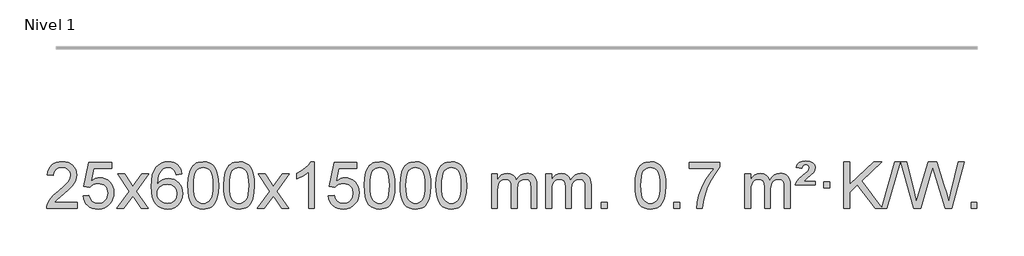
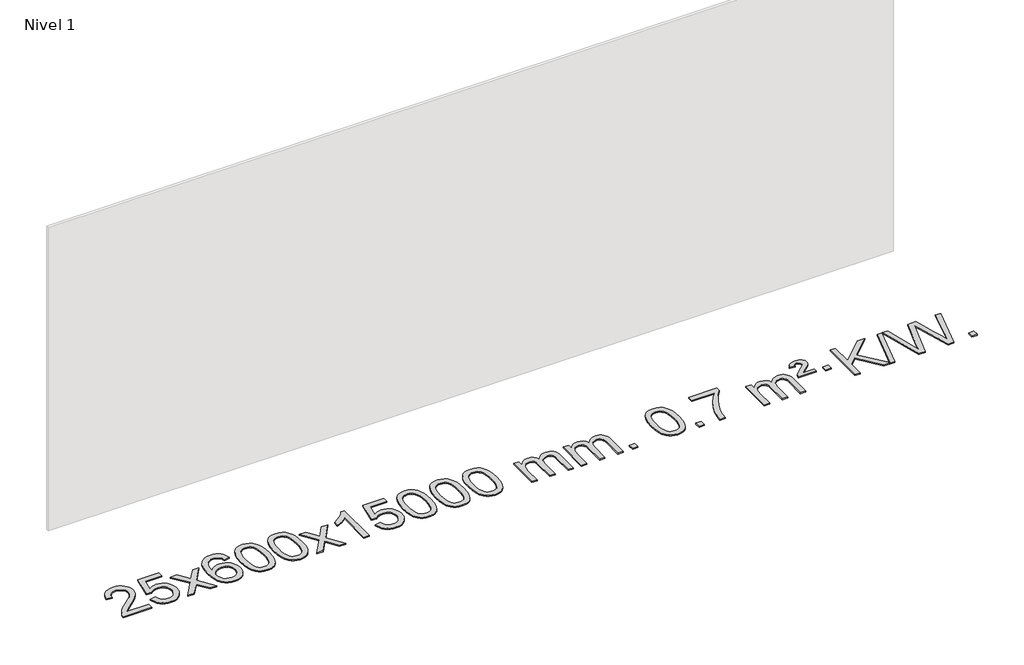
# One storey, part 9 of 10: 1 proxy.
"""IFC4 building model written with IfcOpenShell, lengths in millimetres."""

from ifc_helpers import new_model, si_unit, origin, origin_with_axes, place, context, project, spatial, polyline, outline, extrude, element, save

model = new_model("IFC4")

# Units and contexts
model_context = context("Model", 3, world=origin())
ifc_project = project(units=[si_unit("LENGTHUNIT", "METRE", prefix="MILLI")], contexts=[model_context])

# Site, building, storey
site = spatial("IfcSite", under=ifc_project)
building = spatial("IfcBuilding", under=site)
storey = spatial("IfcBuildingStorey", under=building, Name="Nivel 1", Elevation=0.0)

# Proxy
placement = place(None, origin())
element("IfcBuildingElementProxy", 1, Name="Texto de modelo 1", ObjectType="Texto de modelo 1", at=placement, inside=storey, context=model_context, shape_type="SweptSolid", body=[
    extrude(outline(polyline([(-12852.5741406, 2658.6487021), (-12852.5741406, 2608.420547), (-13116.2719548, 2608.420547), (-13115.1683088, 2626.1034082), (-13110.8763522, 2643.0505055), (-13098.4909917, 2670.1143576), (-13080.366672, 2696.3688693), (-13054.1489485, 2723.8496544), (-13017.4833763, 2754.5923264), (-12963.2820957, 2802.7358169), (-12930.7613273, 2838.2732176), (-12914.5009431, 2867.115166), (-12909.0808151, 2895.1722995), (-12914.1943748, 2920.3231653), (-12929.535054, 2941.2311253), (-12953.1162899, 2955.3210057), (-12982.9515197, 2960.0176325), (-13014.282803, 2955.4313703), (-13038.6243283, 2941.6725837), (-13054.3328895, 2919.8203932), (-13059.7652803, 2890.9539193), (-13109.9934354, 2897.2324387), (-13105.6738876, 2923.161988), (-13097.8165413, 2945.8173875), (-13086.4213965, 2965.1986373), (-13071.4884532, 2981.3057373), (-13053.3610679, 2993.9670093), (-13032.3825971, 3003.010775), (-13008.5530409, 3008.4370345), (-12981.8723992, 3010.2457876), (-12954.9526342, 3008.2346994), (-12930.9943193, 3002.2014346), (-12909.9974544, 2992.1459934), (-12891.9620396, 2978.0683758), (-12877.476686, 2961.0109139), (-12867.1300049, 2942.0159402), (-12860.9219962, 2921.0834547), (-12858.85266, 2898.2134573), (-12861.0844774, 2874.1907631), (-12867.7799298, 2850.5850017), (-12879.6625182, 2826.5745701), (-12897.455744, 2801.3378653), (-12925.8194459, 2771.2083299), (-12969.4134623, 2732.5194067), (-13027.195461, 2684.204238), (-13049.8569919, 2658.6487021), (-12852.5741406, 2658.6487021)])), origin_with_axes(), (0.0, 0.0, 1.0), 10.0),
    extrude(outline(polyline([(-12802.3459855, 2715.1553765), (-12752.1178305, 2721.4338959), (-12742.8962551, 2691.2798351), (-12726.8075492, 2669.6851619), (-12703.9252891, 2656.6989275), (-12674.3230512, 2652.3701827), (-12655.1931875, 2653.8754332), (-12638.3196666, 2658.3911847), (-12623.7024887, 2665.9174372), (-12611.3416537, 2676.4541906), (-12601.513073, 2689.480279), (-12594.4926583, 2704.4745359), (-12588.8763265, 2740.3675559), (-12594.137039, 2774.1636486), (-12600.7129297, 2788.0818507), (-12609.9191766, 2800.0134901), (-12621.7864366, 2809.5845533), (-12636.3453666, 2816.4210271), (-12673.5382363, 2821.8902061), (-12697.9042871, 2819.7074396), (-12717.6350248, 2813.1591401), (-12733.3926369, 2803.1282243), (-12745.8393111, 2790.4976092), (-12796.0674662, 2796.7761285), (-12752.1178305, 3003.9672682), (-12557.4837296, 3003.9672682), (-12557.4837296, 2953.7391131), (-12711.5036582, 2953.7391131), (-12732.9879667, 2843.080209), (-12715.2621859, 2855.7844006), (-12697.1072095, 2864.8588231), (-12678.5230373, 2870.3034766), (-12659.5096696, 2872.1183612), (-12635.0485826, 2869.8681496), (-12612.5801897, 2863.117515), (-12592.104491, 2851.8664573), (-12573.6214864, 2836.1149766), (-12558.3206611, 2816.8256973), (-12547.3915002, 2794.961244), (-12540.8340036, 2770.5216168), (-12538.6481714, 2743.5068156), (-12540.6163401, 2717.4852958), (-12546.5208461, 2693.2786606), (-12556.3616895, 2670.8869098), (-12570.1388702, 2650.3100435), (-12591.0100421, 2629.2365366), (-12615.3638301, 2614.1840316), (-12643.2002344, 2605.1525286), (-12674.519255, 2602.1420276), (-12700.4396072, 2604.0764738), (-12723.8522305, 2609.8798123), (-12744.7571249, 2619.552043), (-12763.1542903, 2633.0931662), (-12778.461247, 2649.8287312), (-12790.0955151, 2669.084288), (-12798.0570946, 2690.8598364), (-12802.3459855, 2715.1553765)])), origin_with_axes(), (0.0, 0.0, 1.0), 10.0),
    extrude(outline(polyline([(-12513.5340939, 2608.420547), (-12406.2106531, 2756.7505675), (-12507.2555745, 2903.5109581), (-12446.8248254, 2903.5109581), (-12398.0681983, 2832.877615), (-12375.3085655, 2799.5229808), (-12355.5900906, 2826.7952993), (-12300.0644348, 2903.5109581), (-12239.6336857, 2903.5109581), (-12345.7799041, 2756.7505675), (-12243.5577603, 2608.420547), (-12303.9885094, 2608.420547), (-12365.498379, 2697.5951426), (-12376.7800935, 2713.8800523), (-12453.1033448, 2608.420547), (-12513.5340939, 2608.420547)])), origin_with_axes(), (0.0, 0.0, 1.0), 10.0),
    extrude(outline(polyline([(-11954.7458687, 2903.5109581), (-12004.9740237, 2897.2324387), (-12013.0674276, 2922.125787), (-12024.0057856, 2939.1219352), (-12046.7899439, 2954.7937082), (-12074.3320426, 2960.0176325), (-12097.6802865, 2956.9764747), (-12119.6551044, 2947.8530012), (-12138.5274507, 2928.6372983), (-12153.9417063, 2902.1865829), (-12164.3527668, 2864.772984), (-12168.2155277, 2812.6686307), (-12148.0678571, 2836.1762902), (-12123.9225355, 2852.7432427), (-12097.1284635, 2862.565692), (-12069.0345418, 2865.8398418), (-12044.9014829, 2863.601893), (-12022.6323595, 2856.8880466), (-12002.2271715, 2845.6983025), (-11983.6859189, 2830.0326609), (-11968.2777947, 2810.8230894), (-11957.2719917, 2789.0015557), (-11950.6685099, 2764.5680599), (-11948.4673493, 2737.5226018), (-11952.6121531, 2701.5560055), (-11965.0465645, 2668.213634), (-11984.740514, 2639.9357713), (-12010.6639319, 2619.1627013), (-12041.6395959, 2606.397196), (-12076.4902836, 2602.1420276), (-12106.4328123, 2604.9624563), (-12133.4752046, 2613.4237421), (-12157.6174606, 2627.5258853), (-12178.8595801, 2647.2688857), (-12196.177625, 2673.4866092), (-12208.5476571, 2707.0129217), (-12215.9696764, 2747.8478232), (-12218.4436828, 2795.9913136), (-12215.6968306, 2849.9657337), (-12207.4562739, 2896.0306908), (-12193.7220127, 2934.1861851), (-12174.4940471, 2964.4322165), (-12153.6535321, 2984.4756538), (-12129.4898164, 2998.7923948), (-12102.0029, 3007.3824394), (-12071.1927829, 3010.2457876), (-12048.0591367, 3008.4738227), (-12027.1205198, 3003.1579278), (-12008.3769322, 2994.2981031), (-11991.8283738, 2981.8943485), (-11977.9224344, 2966.3635969), (-11967.1067037, 2948.1227814), (-11959.3811818, 2927.1719017), (-11954.7458687, 2903.5109581)]), holes=[polyline([(-12168.2155277, 2738.3074168), (-12165.30926, 2716.0505561), (-12156.5904567, 2694.7992395), (-12143.0523993, 2676.527767), (-12125.6883691, 2663.2104388), (-12104.7313581, 2655.0802467), (-12080.4143582, 2652.3701827), (-12047.2681904, 2657.9865145), (-12033.353054, 2665.0069292), (-12021.2098825, 2674.8355099), (-12011.359842, 2687.0737176), (-12004.3240989, 2701.3230135), (-11998.6955043, 2735.8548701), (-12004.2505225, 2769.0010379), (-12011.1942951, 2782.6218688), (-12020.9155769, 2794.274531), (-12033.0955366, 2803.6095366), (-12047.4153432, 2810.2773978), (-12082.4744974, 2815.6116867), (-12115.5716142, 2810.2773978), (-12143.248603, 2794.274531), (-12154.1716326, 2782.7751529), (-12161.9737965, 2769.6141746), (-12166.6550949, 2754.7915958), (-12168.2155277, 2738.3074168)])]), origin_with_axes(), (0.0, 0.0, 1.0), 10.0),
    extrude(outline(polyline([(-11904.5177136, 2806.0958057), (-11900.8266309, 2870.4138412), (-11889.7533828, 2921.7088541), (-11871.408334, 2960.7656593), (-11859.550271, 2975.9990395), (-11845.901849, 2988.3690716), (-11830.4170827, 2997.9401349), (-11813.0499869, 3004.7766086), (-11772.6688065, 3010.2457876), (-11741.717668, 3007.008426), (-11714.003891, 2997.2963414), (-11690.8273253, 2981.4896783), (-11673.4878206, 2959.9685816), (-11660.3912216, 2932.9169922), (-11649.9433729, 2900.5188512), (-11643.1007678, 2859.3773814), (-11640.8198994, 2806.0958057), (-11644.4741939, 2742.1456523), (-11655.4370774, 2690.9732667), (-11673.6717616, 2651.8796734), (-11685.5022334, 2636.6003078), (-11699.1414584, 2624.1658964), (-11714.6446188, 2614.5304538), (-11732.066897, 2607.6479948), (-11772.6688065, 2602.1420276), (-11800.3335326, 2604.5332606), (-11824.8589989, 2611.7069595), (-11846.2452055, 2623.6631243), (-11864.4921525, 2640.4017551), (-11882.0033355, 2670.6600492), (-11894.5113233, 2708.3618224), (-11902.016116, 2753.5070745), (-11904.5177136, 2806.0958057)]), holes=[polyline([(-11854.2895585, 2806.1939076), (-11852.8180305, 2762.5293805), (-11848.4034466, 2727.1851178), (-11841.0458067, 2700.1611196), (-11830.7451108, 2681.4573858), (-11818.2861739, 2668.7317344), (-11804.4538109, 2659.6419835), (-11789.2480218, 2654.1881329), (-11772.6688065, 2652.3701827), (-11756.0895913, 2654.1942643), (-11740.8838021, 2659.6665089), (-11727.0514391, 2668.7869167), (-11714.5925022, 2681.5554876), (-11704.2918063, 2700.2898783), (-11696.9341664, 2727.3077451), (-11692.5195825, 2762.6090882), (-11691.0480545, 2806.1939076), (-11692.4705316, 2848.7026722), (-11696.7379627, 2883.4246011), (-11703.8503479, 2910.3596945), (-11713.8076873, 2929.5079524), (-11726.0581577, 2942.8559375), (-11740.0499363, 2952.3902125), (-11755.7830229, 2958.1107775), (-11773.2574177, 2960.0176325), (-11789.7507938, 2958.3376381), (-11804.6990656, 2953.2976548), (-11818.1022329, 2944.8976825), (-11829.9602959, 2933.1377214), (-11840.6043483, 2912.291075), (-11848.2072429, 2884.1848906), (-11852.7689796, 2848.8191681), (-11854.2895585, 2806.1939076)])]), origin_with_axes(), (0.0, 0.0, 1.0), 10.0),
    extrude(outline(polyline([(-11596.8702638, 2806.0958057), (-11593.1791811, 2870.4138412), (-11582.105933, 2921.7088541), (-11563.7608842, 2960.7656593), (-11551.9028212, 2975.9990395), (-11538.2543992, 2988.3690716), (-11522.7696329, 2997.9401349), (-11505.402537, 3004.7766086), (-11465.0213567, 3010.2457876), (-11434.0702182, 3007.008426), (-11406.3564412, 2997.2963414), (-11383.1798755, 2981.4896783), (-11365.8403708, 2959.9685816), (-11352.7437718, 2932.9169922), (-11342.2959231, 2900.5188512), (-11335.453318, 2859.3773814), (-11333.1724496, 2806.0958057), (-11336.8267441, 2742.1456523), (-11347.7896275, 2690.9732667), (-11366.0243118, 2651.8796734), (-11377.8547836, 2636.6003078), (-11391.4940086, 2624.1658964), (-11406.997169, 2614.5304538), (-11424.4194471, 2607.6479948), (-11465.0213567, 2602.1420276), (-11492.6860827, 2604.5332606), (-11517.2115491, 2611.7069595), (-11538.5977557, 2623.6631243), (-11556.8447027, 2640.4017551), (-11574.3558856, 2670.6600492), (-11586.8638735, 2708.3618224), (-11594.3686662, 2753.5070745), (-11596.8702638, 2806.0958057)]), holes=[polyline([(-11546.6421087, 2806.1939076), (-11545.1705807, 2762.5293805), (-11540.7559968, 2727.1851178), (-11533.3983568, 2700.1611196), (-11523.097661, 2681.4573858), (-11510.6387241, 2668.7317344), (-11496.8063611, 2659.6419835), (-11481.6005719, 2654.1881329), (-11465.0213567, 2652.3701827), (-11448.4421414, 2654.1942643), (-11433.2363523, 2659.6665089), (-11419.4039893, 2668.7869167), (-11406.9450524, 2681.5554876), (-11396.6443565, 2700.2898783), (-11389.2867166, 2727.3077451), (-11384.8721327, 2762.6090882), (-11383.4006047, 2806.1939076), (-11384.8230817, 2848.7026722), (-11389.0905129, 2883.4246011), (-11396.2028981, 2910.3596945), (-11406.1602375, 2929.5079524), (-11418.4107079, 2942.8559375), (-11432.4024864, 2952.3902125), (-11448.1355731, 2958.1107775), (-11465.6099679, 2960.0176325), (-11482.103344, 2958.3376381), (-11497.0516157, 2953.2976548), (-11510.4547831, 2944.8976825), (-11522.3128461, 2933.1377214), (-11532.9568985, 2912.291075), (-11540.559793, 2884.1848906), (-11545.1215298, 2848.8191681), (-11546.6421087, 2806.1939076)])]), origin_with_axes(), (0.0, 0.0, 1.0), 10.0),
    extrude(outline(polyline([(-11308.0583721, 2608.420547), (-11200.7349313, 2756.7505675), (-11301.7798527, 2903.5109581), (-11241.3491036, 2903.5109581), (-11192.5924765, 2832.877615), (-11169.8328437, 2799.5229808), (-11150.1143688, 2826.7952993), (-11094.588713, 2903.5109581), (-11034.1579639, 2903.5109581), (-11140.3041823, 2756.7505675), (-11038.0820385, 2608.420547), (-11098.5127876, 2608.420547), (-11160.0226572, 2697.5951426), (-11171.3043717, 2713.8800523), (-11247.627623, 2608.420547), (-11308.0583721, 2608.420547)])), origin_with_axes(), (0.0, 0.0, 1.0), 10.0),
    extrude(outline(polyline([(-10818.3338601, 2608.420547), (-10868.5620152, 2608.420547), (-10868.5620152, 2921.5617013), (-10889.5312889, 2904.6023413), (-10916.1414199, 2887.6675068), (-10969.0183253, 2862.3081746), (-10969.0183253, 2909.7894775), (-10929.5691127, 2931.2492605), (-10895.3928753, 2956.780271), (-10868.4516506, 2983.9299622), (-10850.7074757, 3010.2457876), (-10818.3338601, 3010.2457876), (-10818.3338601, 2608.420547)])), origin_with_axes(), (0.0, 0.0, 1.0), 10.0),
    extrude(outline(polyline([(-10699.0419918, 2715.1553765), (-10648.8138367, 2721.4338959), (-10639.5922614, 2691.2798351), (-10623.5035554, 2669.6851619), (-10600.6212953, 2656.6989275), (-10571.0190575, 2652.3701827), (-10551.8891937, 2653.8754332), (-10535.0156729, 2658.3911847), (-10520.3984949, 2665.9174372), (-10508.0376599, 2676.4541906), (-10498.2090793, 2689.480279), (-10491.1886645, 2704.4745359), (-10485.5723327, 2740.3675559), (-10490.8330453, 2774.1636486), (-10497.4089359, 2788.0818507), (-10506.6151828, 2800.0134901), (-10518.4824429, 2809.5845533), (-10533.0413728, 2816.4210271), (-10570.2342425, 2821.8902061), (-10594.6002934, 2819.7074396), (-10614.331031, 2813.1591401), (-10630.0886432, 2803.1282243), (-10642.5353173, 2790.4976092), (-10692.7634724, 2796.7761285), (-10648.8138367, 3003.9672682), (-10454.1797358, 3003.9672682), (-10454.1797358, 2953.7391131), (-10608.1996644, 2953.7391131), (-10629.683973, 2843.080209), (-10611.9581922, 2855.7844006), (-10593.8032157, 2864.8588231), (-10575.2190436, 2870.3034766), (-10556.2056758, 2872.1183612), (-10531.7445888, 2869.8681496), (-10509.2761959, 2863.117515), (-10488.8004972, 2851.8664573), (-10470.3174927, 2836.1149766), (-10455.0166673, 2816.8256973), (-10444.0875064, 2794.961244), (-10437.5300098, 2770.5216168), (-10435.3441776, 2743.5068156), (-10437.3123463, 2717.4852958), (-10443.2168523, 2693.2786606), (-10453.0576957, 2670.8869098), (-10466.8348764, 2650.3100435), (-10487.7060483, 2629.2365366), (-10512.0598364, 2614.1840316), (-10539.8962407, 2605.1525286), (-10571.2152612, 2602.1420276), (-10597.1356134, 2604.0764738), (-10620.5482368, 2609.8798123), (-10641.4531311, 2619.552043), (-10659.8502966, 2633.0931662), (-10675.1572533, 2649.8287312), (-10686.7915213, 2669.084288), (-10694.7531009, 2690.8598364), (-10699.0419918, 2715.1553765)])), origin_with_axes(), (0.0, 0.0, 1.0), 10.0),
    extrude(outline(polyline([(-10391.394542, 2806.0958057), (-10387.7034593, 2870.4138412), (-10376.6302112, 2921.7088541), (-10358.2851624, 2960.7656593), (-10346.4270994, 2975.9990395), (-10332.7786774, 2988.3690716), (-10317.2939111, 2997.9401349), (-10299.9268152, 3004.7766086), (-10259.5456349, 3010.2457876), (-10228.5944964, 3007.008426), (-10200.8807194, 2997.2963414), (-10177.7041537, 2981.4896783), (-10160.364649, 2959.9685816), (-10147.26805, 2932.9169922), (-10136.8202013, 2900.5188512), (-10129.9775962, 2859.3773814), (-10127.6967278, 2806.0958057), (-10131.3510223, 2742.1456523), (-10142.3139058, 2690.9732667), (-10160.54859, 2651.8796734), (-10172.3790618, 2636.6003078), (-10186.0182868, 2624.1658964), (-10201.5214472, 2614.5304538), (-10218.9437253, 2607.6479948), (-10259.5456349, 2602.1420276), (-10287.2103609, 2604.5332606), (-10311.7358273, 2611.7069595), (-10333.1220339, 2623.6631243), (-10351.3689809, 2640.4017551), (-10368.8801639, 2670.6600492), (-10381.3881517, 2708.3618224), (-10388.8929444, 2753.5070745), (-10391.394542, 2806.0958057)]), holes=[polyline([(-10341.1663869, 2806.1939076), (-10339.6948589, 2762.5293805), (-10335.280275, 2727.1851178), (-10327.9226351, 2700.1611196), (-10317.6219392, 2681.4573858), (-10305.1630023, 2668.7317344), (-10291.3306393, 2659.6419835), (-10276.1248501, 2654.1881329), (-10259.5456349, 2652.3701827), (-10242.9664196, 2654.1942643), (-10227.7606305, 2659.6665089), (-10213.9282675, 2668.7869167), (-10201.4693306, 2681.5554876), (-10191.1686347, 2700.2898783), (-10183.8109948, 2727.3077451), (-10179.3964109, 2762.6090882), (-10177.9248829, 2806.1939076), (-10179.3473599, 2848.7026722), (-10183.6147911, 2883.4246011), (-10190.7271763, 2910.3596945), (-10200.6845157, 2929.5079524), (-10212.9349861, 2942.8559375), (-10226.9267646, 2952.3902125), (-10242.6598513, 2958.1107775), (-10260.1342461, 2960.0176325), (-10276.6276222, 2958.3376381), (-10291.5758939, 2953.2976548), (-10304.9790613, 2944.8976825), (-10316.8371243, 2933.1377214), (-10327.4811767, 2912.291075), (-10335.0840712, 2884.1848906), (-10339.645808, 2848.8191681), (-10341.1663869, 2806.1939076)])]), origin_with_axes(), (0.0, 0.0, 1.0), 10.0),
    extrude(outline(polyline([(-10083.7470921, 2806.0958057), (-10080.0560094, 2870.4138412), (-10068.9827614, 2921.7088541), (-10050.6377126, 2960.7656593), (-10038.7796496, 2975.9990395), (-10025.1312276, 2988.3690716), (-10009.6464612, 2997.9401349), (-9992.2793654, 3004.7766086), (-9951.8981851, 3010.2457876), (-9920.9470465, 3007.008426), (-9893.2332696, 2997.2963414), (-9870.0567039, 2981.4896783), (-9852.7171992, 2959.9685816), (-9839.6206001, 2932.9169922), (-9829.1727515, 2900.5188512), (-9822.3301463, 2859.3773814), (-9820.049278, 2806.0958057), (-9823.7035725, 2742.1456523), (-9834.6664559, 2690.9732667), (-9852.9011401, 2651.8796734), (-9864.731612, 2636.6003078), (-9878.3708369, 2624.1658964), (-9893.8739974, 2614.5304538), (-9911.2962755, 2607.6479948), (-9951.8981851, 2602.1420276), (-9979.5629111, 2604.5332606), (-10004.0883774, 2611.7069595), (-10025.4745841, 2623.6631243), (-10043.721531, 2640.4017551), (-10061.232714, 2670.6600492), (-10073.7407019, 2708.3618224), (-10081.2454946, 2753.5070745), (-10083.7470921, 2806.0958057)]), holes=[polyline([(-10033.518937, 2806.1939076), (-10032.0474091, 2762.5293805), (-10027.6328251, 2727.1851178), (-10020.2751852, 2700.1611196), (-10009.9744894, 2681.4573858), (-9997.5155525, 2668.7317344), (-9983.6831894, 2659.6419835), (-9968.4774003, 2654.1881329), (-9951.8981851, 2652.3701827), (-9935.3189698, 2654.1942643), (-9920.1131807, 2659.6665089), (-9906.2808176, 2668.7869167), (-9893.8218807, 2681.5554876), (-9883.5211849, 2700.2898783), (-9876.163545, 2727.3077451), (-9871.748961, 2762.6090882), (-9870.2774331, 2806.1939076), (-9871.6999101, 2848.7026722), (-9875.9673412, 2883.4246011), (-9883.0797265, 2910.3596945), (-9893.0370658, 2929.5079524), (-9905.2875363, 2942.8559375), (-9919.2793148, 2952.3902125), (-9935.0124015, 2958.1107775), (-9952.4867962, 2960.0176325), (-9968.9801724, 2958.3376381), (-9983.9284441, 2953.2976548), (-9997.3316115, 2944.8976825), (-10009.1896744, 2933.1377214), (-10019.8337268, 2912.291075), (-10027.4366214, 2884.1848906), (-10031.9983581, 2848.8191681), (-10033.518937, 2806.1939076)])]), origin_with_axes(), (0.0, 0.0, 1.0), 10.0),
    extrude(outline(polyline([(-9776.0996423, 2806.0958057), (-9772.4085596, 2870.4138412), (-9761.3353115, 2921.7088541), (-9742.9902627, 2960.7656593), (-9731.1321997, 2975.9990395), (-9717.4837777, 2988.3690716), (-9701.9990114, 2997.9401349), (-9684.6319156, 3004.7766086), (-9644.2507352, 3010.2457876), (-9613.2995967, 3007.008426), (-9585.5858197, 2997.2963414), (-9562.409254, 2981.4896783), (-9545.0697493, 2959.9685816), (-9531.9731503, 2932.9169922), (-9521.5253016, 2900.5188512), (-9514.6826965, 2859.3773814), (-9512.4018281, 2806.0958057), (-9516.0561226, 2742.1456523), (-9527.0190061, 2690.9732667), (-9545.2536903, 2651.8796734), (-9557.0841621, 2636.6003078), (-9570.7233871, 2624.1658964), (-9586.2265475, 2614.5304538), (-9603.6488257, 2607.6479948), (-9644.2507352, 2602.1420276), (-9671.9154613, 2604.5332606), (-9696.4409276, 2611.7069595), (-9717.8271343, 2623.6631243), (-9736.0740812, 2640.4017551), (-9753.5852642, 2670.6600492), (-9766.093252, 2708.3618224), (-9773.5980447, 2753.5070745), (-9776.0996423, 2806.0958057)]), holes=[polyline([(-9725.8714872, 2806.1939076), (-9724.3999592, 2762.5293805), (-9719.9853753, 2727.1851178), (-9712.6277354, 2700.1611196), (-9702.3270395, 2681.4573858), (-9689.8681026, 2668.7317344), (-9676.0357396, 2659.6419835), (-9660.8299505, 2654.1881329), (-9644.2507352, 2652.3701827), (-9627.67152, 2654.1942643), (-9612.4657308, 2659.6665089), (-9598.6333678, 2668.7869167), (-9586.1744309, 2681.5554876), (-9575.873735, 2700.2898783), (-9568.5160951, 2727.3077451), (-9564.1015112, 2762.6090882), (-9562.6299832, 2806.1939076), (-9564.0524603, 2848.7026722), (-9568.3198914, 2883.4246011), (-9575.4322767, 2910.3596945), (-9585.389616, 2929.5079524), (-9597.6400864, 2942.8559375), (-9611.631865, 2952.3902125), (-9627.3649516, 2958.1107775), (-9644.8393464, 2960.0176325), (-9661.3327225, 2958.3376381), (-9676.2809943, 2953.2976548), (-9689.6841616, 2944.8976825), (-9701.5422246, 2933.1377214), (-9712.186277, 2912.291075), (-9719.7891716, 2884.1848906), (-9724.3509083, 2848.8191681), (-9725.8714872, 2806.1939076)])]), origin_with_axes(), (0.0, 0.0, 1.0), 10.0),
    extrude(outline(polyline([(-9298.9321691, 2608.420547), (-9298.9321691, 2903.5109581), (-9248.704014, 2903.5109581), (-9248.704014, 2854.9505347), (-9233.5963267, 2877.2564463), (-9214.1721574, 2894.7308411), (-9191.0936936, 2906.0248184), (-9165.0231228, 2909.7894775), (-9137.0886167, 2905.951242), (-9114.6968659, 2894.4365355), (-9097.9704978, 2876.0056476), (-9087.0321399, 2851.4188676), (-9068.7238792, 2876.9560094), (-9047.8404446, 2895.196825), (-9024.3818361, 2906.1413143), (-8998.3480536, 2909.7894775), (-8978.2402368, 2908.2719642), (-8960.5910981, 2903.7194245), (-8945.4006374, 2896.1318584), (-8932.6688547, 2885.5092658), (-8922.6042164, 2871.7290194), (-8915.4151891, 2854.6684918), (-8911.1017727, 2834.3276832), (-8909.6639672, 2810.7065934), (-8909.6639672, 2608.420547), (-8959.8921223, 2608.420547), (-8959.8921223, 2789.124183), (-8961.057082, 2814.1769469), (-8964.5519609, 2831.0627305), (-8971.1002604, 2842.6264879), (-8981.4254818, 2851.7131732), (-8994.7060218, 2857.5992851), (-9010.1202774, 2859.5613224), (-9037.3312823, 2854.5336018), (-9059.5145666, 2839.45044), (-9068.1199396, 2827.8805512), (-9074.2666346, 2813.2817674), (-9079.1839906, 2774.9975144), (-9079.1839906, 2608.420547), (-9129.4121457, 2608.420547), (-9129.4121457, 2794.7159894), (-9132.3184135, 2823.1164794), (-9141.0372167, 2843.3745146), (-9156.3778959, 2855.5146204), (-9179.1497914, 2859.5613224), (-9198.5003844, 2856.8635211), (-9216.3303984, 2848.7701172), (-9231.0456782, 2835.4773144), (-9241.0520685, 2817.1813165), (-9246.7910276, 2791.7974589), (-9248.704014, 2757.2410768), (-9248.704014, 2608.420547), (-9298.9321691, 2608.420547)])), origin_with_axes(), (0.0, 0.0, 1.0), 10.0),
    extrude(outline(polyline([(-8834.3217346, 2608.420547), (-8834.3217346, 2903.5109581), (-8784.0935796, 2903.5109581), (-8784.0935796, 2854.9505347), (-8768.9858923, 2877.2564463), (-8749.5617229, 2894.7308411), (-8726.4832591, 2906.0248184), (-8700.4126884, 2909.7894775), (-8672.4781822, 2905.951242), (-8650.0864315, 2894.4365355), (-8633.3600634, 2876.0056476), (-8622.4217054, 2851.4188676), (-8604.1134448, 2876.9560094), (-8583.2300102, 2895.196825), (-8559.7714016, 2906.1413143), (-8533.7376191, 2909.7894775), (-8513.6298024, 2908.2719642), (-8495.9806637, 2903.7194245), (-8480.790203, 2896.1318584), (-8468.0584202, 2885.5092658), (-8457.993782, 2871.7290194), (-8450.8047547, 2854.6684918), (-8446.4913383, 2834.3276832), (-8445.0535328, 2810.7065934), (-8445.0535328, 2608.420547), (-8495.2816879, 2608.420547), (-8495.2816879, 2789.124183), (-8496.4466475, 2814.1769469), (-8499.9415265, 2831.0627305), (-8506.489826, 2842.6264879), (-8516.8150473, 2851.7131732), (-8530.0955874, 2857.5992851), (-8545.509843, 2859.5613224), (-8572.7208479, 2854.5336018), (-8594.9041322, 2839.45044), (-8603.5095052, 2827.8805512), (-8609.6562002, 2813.2817674), (-8614.5735562, 2774.9975144), (-8614.5735562, 2608.420547), (-8664.8017113, 2608.420547), (-8664.8017113, 2794.7159894), (-8667.707979, 2823.1164794), (-8676.4267823, 2843.3745146), (-8691.7674615, 2855.5146204), (-8714.539357, 2859.5613224), (-8733.88995, 2856.8635211), (-8751.719964, 2848.7701172), (-8766.4352438, 2835.4773144), (-8776.4416341, 2817.1813165), (-8782.1805932, 2791.7974589), (-8784.0935796, 2757.2410768), (-8784.0935796, 2608.420547), (-8834.3217346, 2608.420547)])), origin_with_axes(), (0.0, 0.0, 1.0), 10.0),
    extrude(outline(polyline([(-8357.1542614, 2608.420547), (-8357.1542614, 2658.6487021), (-8306.9261064, 2658.6487021), (-8306.9261064, 2608.420547), (-8357.1542614, 2608.420547)])), origin_with_axes(), (0.0, 0.0, 1.0), 10.0),
    extrude(outline(polyline([(-8068.3423697, 2806.0958057), (-8064.6512871, 2870.4138412), (-8053.578039, 2921.7088541), (-8035.2329902, 2960.7656593), (-8023.3749272, 2975.9990395), (-8009.7265052, 2988.3690716), (-7994.2417389, 2997.9401349), (-7976.874643, 3004.7766086), (-7936.4934627, 3010.2457876), (-7905.5423241, 3007.008426), (-7877.8285472, 2997.2963414), (-7854.6519815, 2981.4896783), (-7837.3124768, 2959.9685816), (-7824.2158777, 2932.9169922), (-7813.7680291, 2900.5188512), (-7806.925424, 2859.3773814), (-7804.6445556, 2806.0958057), (-7808.2988501, 2742.1456523), (-7819.2617335, 2690.9732667), (-7837.4964178, 2651.8796734), (-7849.3268896, 2636.6003078), (-7862.9661146, 2624.1658964), (-7878.469275, 2614.5304538), (-7895.8915531, 2607.6479948), (-7936.4934627, 2602.1420276), (-7964.1581887, 2604.5332606), (-7988.6836551, 2611.7069595), (-8010.0698617, 2623.6631243), (-8028.3168087, 2640.4017551), (-8045.8279916, 2670.6600492), (-8058.3359795, 2708.3618224), (-8065.8407722, 2753.5070745), (-8068.3423697, 2806.0958057)]), holes=[polyline([(-8018.1142147, 2806.1939076), (-8016.6426867, 2762.5293805), (-8012.2281027, 2727.1851178), (-8004.8704628, 2700.1611196), (-7994.569767, 2681.4573858), (-7982.1108301, 2668.7317344), (-7968.2784671, 2659.6419835), (-7953.0726779, 2654.1881329), (-7936.4934627, 2652.3701827), (-7919.9142474, 2654.1942643), (-7904.7084583, 2659.6665089), (-7890.8760953, 2668.7869167), (-7878.4171584, 2681.5554876), (-7868.1164625, 2700.2898783), (-7860.7588226, 2727.3077451), (-7856.3442387, 2762.6090882), (-7854.8727107, 2806.1939076), (-7856.2951877, 2848.7026722), (-7860.5626189, 2883.4246011), (-7867.6750041, 2910.3596945), (-7877.6323434, 2929.5079524), (-7889.8828139, 2942.8559375), (-7903.8745924, 2952.3902125), (-7919.6076791, 2958.1107775), (-7937.0820739, 2960.0176325), (-7953.57545, 2958.3376381), (-7968.5237217, 2953.2976548), (-7981.9268891, 2944.8976825), (-7993.7849521, 2933.1377214), (-8004.4290045, 2912.291075), (-8012.031899, 2884.1848906), (-8016.5936358, 2848.8191681), (-8018.1142147, 2806.1939076)])]), origin_with_axes(), (0.0, 0.0, 1.0), 10.0),
    extrude(outline(polyline([(-7735.5808424, 2608.420547), (-7735.5808424, 2658.6487021), (-7685.3526873, 2658.6487021), (-7685.3526873, 2608.420547), (-7735.5808424, 2608.420547)])), origin_with_axes(), (0.0, 0.0, 1.0), 10.0),
    extrude(outline(polyline([(-7603.7319353, 2953.7391131), (-7603.7319353, 3003.9672682), (-7340.0341212, 3003.9672682), (-7340.0341212, 2963.353096), (-7377.6193983, 2915.785954), (-7414.8367935, 2855.2938912), (-7447.6641302, 2787.3951377), (-7472.079232, 2717.6079232), (-7484.0476595, 2665.3932053), (-7490.7185864, 2608.420547), (-7540.9467415, 2608.420547), (-7535.5143507, 2660.1938065), (-7520.9830119, 2721.7282015), (-7497.7451325, 2786.9536793), (-7466.19312, 2849.8001868), (-7429.3558696, 2906.6134296), (-7390.2622762, 2953.7391131), (-7603.7319353, 2953.7391131)])), origin_with_axes(), (0.0, 0.0, 1.0), 10.0),
    extrude(outline(polyline([(-7126.5644621, 2608.420547), (-7126.5644621, 2903.5109581), (-7076.336307, 2903.5109581), (-7076.336307, 2854.9505347), (-7061.2286197, 2877.2564463), (-7041.8044504, 2894.7308411), (-7018.7259866, 2906.0248184), (-6992.6554158, 2909.7894775), (-6964.7209097, 2905.951242), (-6942.3291589, 2894.4365355), (-6925.6027909, 2876.0056476), (-6914.6644329, 2851.4188676), (-6896.3561722, 2876.9560094), (-6875.4727377, 2895.196825), (-6852.0141291, 2906.1413143), (-6825.9803466, 2909.7894775), (-6805.8725298, 2908.2719642), (-6788.2233911, 2903.7194245), (-6773.0329304, 2896.1318584), (-6760.3011477, 2885.5092658), (-6750.2365094, 2871.7290194), (-6743.0474821, 2854.6684918), (-6738.7340657, 2834.3276832), (-6737.2962603, 2810.7065934), (-6737.2962603, 2608.420547), (-6787.5244153, 2608.420547), (-6787.5244153, 2789.124183), (-6788.689375, 2814.1769469), (-6792.1842539, 2831.0627305), (-6798.7325535, 2842.6264879), (-6809.0577748, 2851.7131732), (-6822.3383148, 2857.5992851), (-6837.7525704, 2859.5613224), (-6864.9635753, 2854.5336018), (-6887.1468596, 2839.45044), (-6895.7522326, 2827.8805512), (-6901.8989276, 2813.2817674), (-6906.8162836, 2774.9975144), (-6906.8162836, 2608.420547), (-6957.0444387, 2608.420547), (-6957.0444387, 2794.7159894), (-6959.9507065, 2823.1164794), (-6968.6695098, 2843.3745146), (-6984.010189, 2855.5146204), (-7006.7820845, 2859.5613224), (-7026.1326774, 2856.8635211), (-7043.9626914, 2848.7701172), (-7058.6779713, 2835.4773144), (-7068.6843615, 2817.1813165), (-7074.4233206, 2791.7974589), (-7076.336307, 2757.2410768), (-7076.336307, 2608.420547), (-7126.5644621, 2608.420547)])), origin_with_axes(), (0.0, 0.0, 1.0), 10.0),
    extrude(outline(polyline([(-6693.3466246, 2809.3331673), (-6689.5206518, 2825.1520931), (-6681.1819933, 2841.0200698), (-6659.6731593, 2866.1586728), (-6627.7164766, 2893.8969753), (-6583.5706372, 2931.273786), (-6576.4337265, 2942.8007552), (-6574.0547563, 2954.6220299), (-6575.9432172, 2966.7130848), (-6581.6085999, 2976.4987459), (-6590.977328, 2982.973469), (-6603.9758252, 2985.1317101), (-6616.4102366, 2983.5130293), (-6625.26393, 2978.656987), (-6631.6896022, 2969.1901569), (-6636.8399501, 2953.7391131), (-6687.0681052, 2960.0176325), (-6676.2278491, 2985.2298119), (-6659.5995829, 3002.7900458), (-6635.834406, 3013.0907417), (-6603.5834178, 3016.524307), (-6567.8007624, 3012.3917659), (-6543.0545668, 2999.9941427), (-6528.6335926, 2981.6613566), (-6523.8266012, 2959.7233269), (-6527.9223541, 2936.8165414), (-6540.2096127, 2915.1850801), (-6560.737428, 2895.3685032), (-6597.2067965, 2867.3113697), (-6622.8113834, 2840.7257642), (-6523.8266012, 2840.7257642), (-6523.8266012, 2809.3331673), (-6693.3466246, 2809.3331673)])), origin_with_axes(), (0.0, 0.0, 1.0), 10.0),
    extrude(outline(polyline([(-6448.4843686, 2784.2190898), (-6448.4843686, 2834.4472448), (-6398.2562135, 2834.4472448), (-6398.2562135, 2784.2190898), (-6448.4843686, 2784.2190898)])), origin_with_axes(), (0.0, 0.0, 1.0), 10.0),
    extrude(outline(polyline([(-6007.6145856, 2608.420547), (-6161.045903, 2811.0990009), (-6228.7361901, 2746.5479735), (-6228.7361901, 2608.420547), (-6278.9643452, 2608.420547), (-6278.9643452, 3010.2457876), (-6228.7361901, 3010.2457876), (-6228.7361901, 2813.5515475), (-6022.7222728, 3010.2457876), (-5952.4813372, 3010.2457876), (-6125.4349259, 2845.0422463), (-5950.781316, 2614.4650668), (-5839.4679883, 3010.2457876), (-5794.1449265, 3010.2457876), (-5907.1582754, 2608.420547), (-5946.2028178, 2608.420547), (-5952.4813372, 2608.420547), (-6007.6145856, 2608.420547)])), origin_with_axes(), (0.0, 0.0, 1.0), 10.0),
    extrude(outline(polyline([(-5679.6600496, 2608.420547), (-5789.2398332, 3010.2457876), (-5737.4420483, 3010.2457876), (-5673.8720395, 2746.155566), (-5654.2516665, 2664.6329159), (-5633.2578673, 2736.7377869), (-5553.5991526, 3010.2457876), (-5478.943633, 3010.2457876), (-5421.0635325, 2811.9819177), (-5396.268286, 2738.4055186), (-5377.9968136, 2664.6329159), (-5358.9650517, 2743.8011212), (-5294.8064317, 3010.2457876), (-5243.0086468, 3010.2457876), (-5352.6865323, 2608.420547), (-5406.3482526, 2608.420547), (-5502.6842845, 2918.4224416), (-5516.12424, 2961.6853642), (-5531.2319273, 2909.5932737), (-5619.0330968, 2608.420547), (-5679.6600496, 2608.420547)])), origin_with_axes(), (0.0, 0.0, 1.0), 10.0),
    extrude(outline(polyline([(-5186.5019723, 2608.420547), (-5186.5019723, 2658.6487021), (-5136.2738173, 2658.6487021), (-5136.2738173, 2608.420547), (-5186.5019723, 2608.420547)])), origin_with_axes(), (0.0, 0.0, 1.0), 10.0),
])

save(model, "model.ifc")
